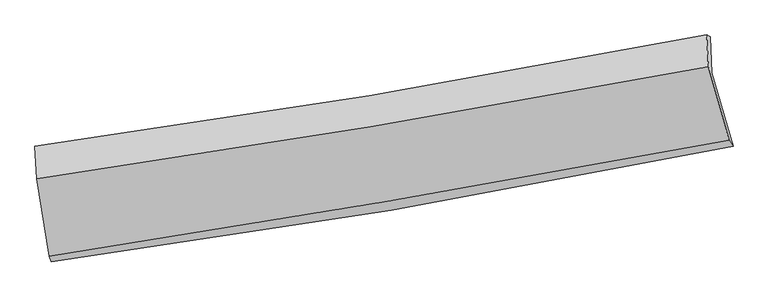
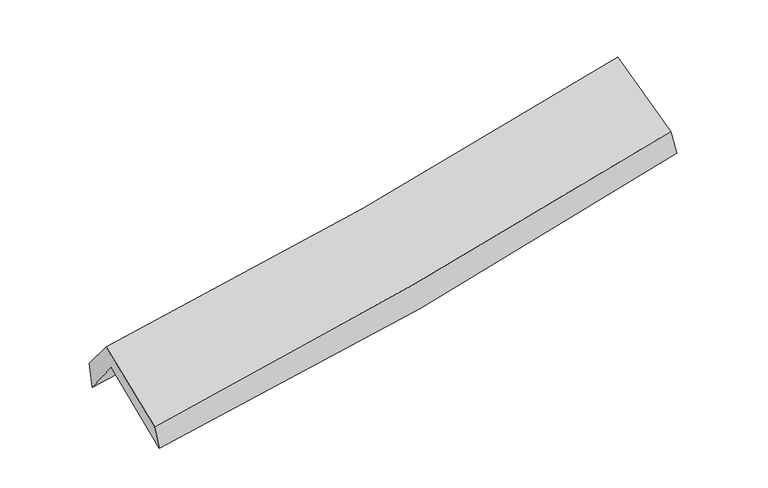
"""IFC4 building model written with IfcOpenShell, lengths in millimetres: proxy geometry."""

from ifc_helpers import new_model, si_unit, frame, origin, place, context, project, spatial, source, transform, mapped, element, save
from ifc_brep_helpers import plane_surface, spline_curve, spline_surface, advanced_brep


def generic_models_a8e6e2ae(model_context):
    return source(origin(), model_context, "Body", "AdvancedBrep", [
        advanced_brep(
        [(-2251.0558691, -2477.5932825, 1506.9837147), (-2337.5088513, -1955.4865637, 1919.438848), (2277.8734713, -1181.3813, 2365.8826628), (2424.6663009, -1685.2683696, 1933.6635204), (-2349.8388647, -1704.7561696, 1599.4671005), (2267.0670819, -935.8120913, 2041.3069999), (-2363.6014096, -1685.0867092, 1801.46974), (2243.2751169, -921.5798929, 2226.6462438), (-2351.8953391, -1906.8848289, 2070.340633), (2255.5817749, -1140.090867, 2491.7436995), (-2265.2100385, -2440.2093352, 1677.8690141), (2397.2793258, -1645.0077893, 2106.1878965)],
        [
            (0, 1),
            (1, 2, spline_curve(3, [(-2337.5088513, -1955.4865637, 1919.438848), (-1566.987057828, -1852.09532518, 1959.0776954), (-799.997635484, -1736.472979859, 2015.689377956), (738.571816429, -1478.814196115, 2163.981793932), (1510.043168124, -1336.401453281, 2256.184716381), (2277.8734713, -1181.3813, 2365.8826628)], [4, 2, 4], [0.0, 7.705417284144029, 15.528469640856715])),
            (2, 3),
            (3, 0, spline_curve(3, [(2424.6663009, -1685.2683696, 1933.6635204), (1647.028652649, -1844.555377052, 1836.897916072), (865.585983227, -1990.62677998, 1752.784229573), (-693.101645137, -2254.340626993, 1610.935259939), (-1470.233032282, -2372.377528307, 1552.822344956), (-2251.0558691, -2477.5932825, 1506.9837147)], [4, 2, 4], [0.0, 7.823052356712686, 15.528469640856715])),
            (1, 4),
            (4, 5, spline_curve(3, [(-2349.8388647, -1704.7561696, 1599.4671005), (-1579.545612283, -1600.924338393, 1640.366788245), (-812.546273757, -1485.503634995, 1697.235797549), (726.523715897, -1229.545487254, 1844.024449658), (1498.493026397, -1088.651497892, 1934.435406548), (2267.0670819, -935.8120913, 2041.3069999)], [4, 2, 4], [0.0, 7.65675323401995, 15.430398608868881])),
            (5, 2),
            (4, 6),
            (6, 7, spline_curve(3, [(-2363.6014096, -1685.0867092, 1801.46974), (-1596.95633012, -1579.446290281, 1853.029519864), (-832.618066281, -1463.560709159, 1913.901295836), (703.078414389, -1209.373641007, 2055.340302625), (1474.36565954, -1070.756950496, 2136.194028053), (2243.2751169, -921.5798929, 2226.6462438)], [4, 2, 4], [0.0, 7.645878658604759, 15.408483440881874])),
            (7, 5),
            (6, 8),
            (8, 9, spline_curve(3, [(-2351.8953391, -1906.8848289, 2070.340633), (-1585.306126918, -1797.562733766, 2117.466147997), (-820.946714848, -1679.552574872, 2175.794288656), (714.947592178, -1424.221886058, 2315.917315672), (1486.413884777, -1286.634057461, 2398.056863911), (2255.5817749, -1140.090867, 2491.7436995)], [4, 2, 4], [0.0, 7.6358382134720895, 15.388249267744467])),
            (9, 7),
            (8, 10),
            (10, 11, spline_curve(3, [(-2265.2100385, -2440.2093352, 1677.8690141), (-1489.24563315, -2319.987877882, 1726.580889618), (-715.647953592, -2194.155186169, 1786.275838458), (838.587982934, -1929.260640486, 1928.710892504), (1619.153424824, -1790.026150009, 2011.788904208), (2397.2793258, -1645.0077893, 2106.1878965)], [4, 2, 4], [0.0, 7.6846140511231615, 15.486545581395204])),
            (11, 9),
            (10, 0),
            (3, 11),
        ],
        [
            spline_surface(3, 3, [[(-2251.0558691, -2477.5932825, 1506.9837147), (-1470.233032373, -2372.377528343, 1552.822344856), (-693.101645129, -2254.340626967, 1610.935260056), (865.585983219, -1990.626780007, 1752.784229454), (1647.028652659, -1844.555377086, 1836.897916166), (2424.6663009, -1685.2683696, 1933.6635204)], [(-2279.873529847, -2303.557709553, 1644.468759126), (-1502.4843742, -2198.950127265, 1688.240795019), (-728.733641873, -2081.718077935, 1745.853299319), (823.247927584, -1820.02258536, 1889.850084298), (1601.36682446, -1675.170735868, 1976.660182925), (2375.735357712, -1517.306013082, 2077.736567869)], [(-2308.691190553, -2129.522136647, 1781.953803574), (-1534.735715986, -2025.522726227, 1823.659245204), (-764.365638622, -1909.095528922, 1880.771338611), (780.909871944, -1649.418390731, 2026.915939172), (1555.704996226, -1505.786094604, 2116.422449678), (2326.804414488, -1349.343656518, 2221.809615331)], [(-2337.5088513, -1955.4865637, 1919.438848), (-1566.987057813, -1852.095325149, 1959.077695367), (-799.997635366, -1736.47297989, 2015.689377873), (738.571816308, -1478.814196084, 2163.981794016), (1510.043168028, -1336.401453386, 2256.184716437), (2277.8734713, -1181.3813, 2365.8826628)]], [4, 4], [4, 2, 4], [0.0, 2.1891143366266625], [0.0, 7.705417284144029, 15.528469640856715]),
            spline_surface(3, 3, [[(-2337.5088513, -1955.4865637, 1919.438848), (-1566.987057813, -1852.095325149, 1959.077695367), (-799.997635366, -1736.47297989, 2015.689377873), (738.571816308, -1478.814196084, 2163.981794016), (1510.043168028, -1336.401453386, 2256.184716437), (2277.8734713, -1181.3813, 2365.8826628)], [(-2341.618855766, -1871.909765697, 1812.781598835), (-1571.173242672, -1768.371662913, 1852.840726309), (-804.180514886, -1652.816531616, 1909.538184489), (734.555782866, -1395.724626479, 2057.329345889), (1506.193120792, -1253.818134852, 2148.934946479), (2274.271341475, -1099.524897091, 2257.690775166)], [(-2345.728860234, -1788.332967603, 1706.124349665), (-1575.359427533, -1684.648000587, 1746.603757246), (-808.363394362, -1569.160083297, 1803.386991029), (730.539749467, -1312.63505683, 1950.676897686), (1502.343073631, -1171.234816343, 2041.685176523), (2270.669211725, -1017.668494209, 2149.498887534)], [(-2349.8388647, -1704.7561696, 1599.4671005), (-1579.545612392, -1600.924338351, 1640.366788187), (-812.546273882, -1485.503635023, 1697.235797645), (726.523716024, -1229.545487225, 1844.02444956), (1498.493026396, -1088.651497808, 1934.435406566), (2267.0670819, -935.8120913, 2041.3069999)]], [4, 4], [4, 2, 4], [0.0, 1.331082048987604], [0.0, 7.65675323401995, 15.430398608868881]),
            spline_surface(3, 3, [[(-2349.8388647, -1704.7561696, 1599.4671005), (-1579.545612392, -1600.924338351, 1640.366788187), (-812.546273882, -1485.503635023, 1697.235797645), (726.523716024, -1229.545487225, 1844.02444956), (1498.493026396, -1088.651497808, 1934.435406566), (2267.0670819, -935.8120913, 2041.3069999)], [(-2354.426379649, -1698.199682784, 1666.801313646), (-1585.349184928, -1593.764989016, 1711.254365408), (-819.236871329, -1478.189326361, 1769.457630325), (718.708615498, -1222.821538529, 1914.463067278), (1490.450570771, -1082.686648662, 2001.688280434), (2259.13642692, -931.068025153, 2103.086747872)], [(-2359.013894651, -1691.643196016, 1734.135526854), (-1591.152757519, -1586.605639728, 1782.141942692), (-825.927468833, -1470.875017697, 1841.679463037), (710.893514914, -1216.097589831, 1984.901685028), (1482.408115085, -1076.721799558, 2068.941154284), (2251.20577188, -926.323959047, 2164.866495828)], [(-2363.6014096, -1685.0867092, 1801.46974), (-1596.956330055, -1579.446290394, 1853.029519913), (-832.61806628, -1463.560709034, 1913.901295717), (703.078414388, -1209.373641134, 2055.340302746), (1474.365659459, -1070.756950412, 2136.194028152), (2243.2751169, -921.5798929, 2226.6462438)]], [4, 4], [4, 2, 4], [0.0, 0.70893132865891], [0.0, 7.645878658604759, 15.408483440881874]),
            spline_surface(3, 3, [[(-2363.6014096, -1685.0867092, 1801.46974), (-1596.956330055, -1579.446290394, 1853.029519913), (-832.61806628, -1463.560709034, 1913.901295717), (703.078414388, -1209.373641134, 2055.340302746), (1474.365659459, -1070.756950412, 2136.194028152), (2243.2751169, -921.5798929, 2226.6462438)], [(-2359.699386112, -1759.019415776, 1891.093371009), (-1593.072929006, -1652.151771546, 1941.175062586), (-828.727615806, -1535.557997669, 2001.198959995), (707.034806983, -1280.989722729, 2142.199307072), (1478.381734574, -1142.71598613, 2223.481640055), (2247.377336223, -994.416884291, 2315.012062355)], [(-2355.797362588, -1832.952122324, 1980.717001991), (-1589.18952792, -1724.857252672, 2029.320605232), (-824.837165325, -1607.555286339, 2088.4966243), (710.991199585, -1352.60580436, 2229.058311425), (1482.397809719, -1214.675021777, 2310.769251995), (2251.479555577, -1067.253875609, 2403.377880945)], [(-2351.8953391, -1906.8848289, 2070.340633), (-1585.306126871, -1797.562733825, 2117.466147905), (-820.94671485, -1679.552574973, 2175.794288578), (714.94759218, -1424.221885955, 2315.917315751), (1486.413884834, -1286.634057495, 2398.056863898), (2255.5817749, -1140.090867, 2491.7436995)]], [4, 4], [4, 2, 4], [0.0, 1.1115195566533997], [0.0, 7.6358382134720895, 15.388249267744467]),
            spline_surface(3, 3, [[(-2351.8953391, -1906.8848289, 2070.340633), (-1585.306126871, -1797.562733825, 2117.466147905), (-820.94671485, -1679.552574973, 2175.794288578), (714.94759218, -1424.221885955, 2315.917315751), (1486.413884834, -1286.634057495, 2398.056863898), (2255.5817749, -1140.090867, 2491.7436995)], [(-2323.000238904, -2084.659664314, 1939.516760026), (-1553.285962267, -1971.704448495, 1987.171061789), (-785.847127755, -1851.08677874, 2045.954805236), (756.161055762, -1592.568137439, 2186.848507997), (1530.660398184, -1454.431421667, 2269.300877365), (2302.814291876, -1308.396507767, 2363.225098512)], [(-2294.105138696, -2262.434499786, 1808.692887074), (-1521.265797651, -2145.846163222, 1856.875975697), (-750.747540669, -2022.620982493, 1916.115321855), (797.374519334, -1760.91438891, 2057.779700204), (1574.906911506, -1622.228785839, 2140.544890797), (2350.046808824, -1476.702148533, 2234.706497488)], [(-2265.2100385, -2440.2093352, 1677.8690141), (-1489.245633047, -2319.987877891, 1726.580889581), (-715.647953574, -2194.15518626, 1786.275838512), (838.587982915, -1929.260640394, 1928.71089245), (1619.153424856, -1790.02615001, 2011.788904264), (2397.2793258, -1645.0077893, 2106.1878965)]], [4, 4], [4, 2, 4], [0.0, 2.135800879694958], [0.0, 7.6846140511231615, 15.486545581395204]),
            spline_surface(3, 3, [[(-2265.2100385, -2440.2093352, 1677.8690141), (-1489.245633047, -2319.987877891, 1726.580889581), (-715.647953574, -2194.15518626, 1786.275838512), (838.587982915, -1929.260640394, 1928.71089245), (1619.153424856, -1790.02615001, 2011.788904264), (2397.2793258, -1645.0077893, 2106.1878965)], [(-2260.491982022, -2452.670650976, 1620.907247659), (-1482.908099477, -2337.451094718, 1668.661374698), (-708.132517433, -2214.216999827, 1727.828979018), (847.587316343, -1949.716020263, 1870.068671442), (1628.445167451, -1808.202559019, 1953.491908224), (2406.408317494, -1658.427982717, 2048.679771126)], [(-2255.773925578, -2465.131966724, 1563.945481141), (-1476.570565942, -2354.914311517, 1610.741859739), (-700.617081271, -2234.2788134, 1669.382119551), (856.586649791, -1970.171400138, 1811.426450461), (1637.736910064, -1826.378968077, 1895.194912206), (2415.537309206, -1671.848176183, 1991.171645774)], [(-2251.0558691, -2477.5932825, 1506.9837147), (-1470.233032373, -2372.377528343, 1552.822344856), (-693.101645129, -2254.340626967, 1610.935260056), (865.585983219, -1990.626780007, 1752.784229454), (1647.028652659, -1844.555377086, 1836.897916166), (2424.6663009, -1685.2683696, 1933.6635204)]], [4, 4], [4, 2, 4], [0.0, 0.6151780387772923], [0.0, 7.743378729728458, 15.604972072009126]),
            plane_surface(frame((2310.9571786, -1251.523385, 2194.2385039), z_axis=(0.9756645098829588, 0.18926590924625303, 0.11071214816827923), x_axis=(0.21769435604516665, -0.7757195769193523, -0.5923413756695892))),
            plane_surface(frame((-2319.8517287, -2028.3361482, 1762.5948417), z_axis=(-0.9912006106878295, -0.12001106746013104, -0.05584525995242448), x_axis=(-0.08065127709926374, 0.2130158967540407, 0.973714331430081))),
        ],
        [
            (0, [[1, 2, 3, 4]]),
            (1, [[5, 6, 7, -2]]),
            (2, [[8, 9, 10, -6]]),
            (3, [[11, 12, 13, -9]]),
            (4, [[14, 15, 16, -12]]),
            (5, [[17, -4, 18, -15]]),
            (6, [[-16, -18, -3, -7, -10, -13]]),
            (7, [[-17, -14, -11, -8, -5, -1]]),
        ],
    ),
    ])


if __name__ == "__main__":
    model = new_model("IFC4")
    model_context = context("Model", 3, world=origin())
    ifc_project = project(units=[si_unit("LENGTHUNIT", "METRE", prefix="MILLI")], contexts=[model_context])
    site = spatial("IfcSite", under=ifc_project)
    building = spatial("IfcBuilding", under=site)
    placement = place(None, origin())
    generic_models_shape = generic_models_a8e6e2ae(model_context)
    element("IfcBuildingElementProxy", 1, Name="Generic Models", at=placement, inside=building, context=model_context, shape_type="MappedRepresentation", body=[
        mapped(generic_models_shape, transform((0.0, 0.0, 0.0), x_axis=(1.0, 0.0, 0.0), y_axis=(0.0, 1.0, 0.0), z_axis=(0.0, 0.0, 1.0))),
    ])
    save(model, "model.ifc")
